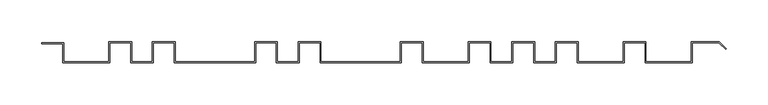
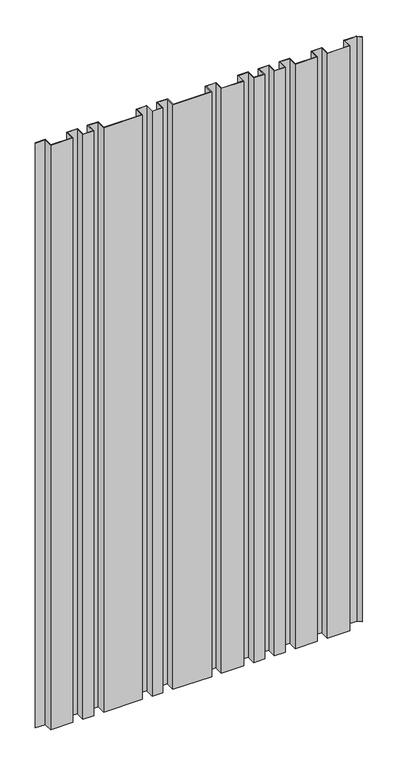
"""IFC4 building model written with IfcOpenShell, lengths in millimetres: plate geometry."""

from ifc_helpers import new_model, si_unit, origin, origin_with_axes, place, context, project, spatial, polyline, outline, extrude, source, transform, mapped, element, save


def plate_e2cb19bc(model_context):
    return source(origin(), model_context, "Body", "SweptSolid", [
        extrude(outline(polyline([(-363.0, 23.0), (-388.0, 23.0), (-388.0, 24.0), (-362.0, 24.0), (-362.0, 1.0), (-308.0, 1.0), (-308.0, 25.0), (-281.0, 25.0), (-281.0, 1.0), (-256.0, 1.0), (-256.0, 25.0), (-229.0, 25.0), (-229.0, 1.0), (-134.0, 1.0), (-134.0, 25.0), (-107.0, 25.0), (-107.0, 1.0), (-82.0, 1.0), (-82.0, 25.0), (-55.0, 25.0), (-55.0, 1.0), (40.0, 1.0), (40.0, 25.0), (67.0, 25.0), (67.0, 1.0), (121.0, 1.0), (121.0, 25.0), (148.0, 25.0), (148.0, 1.0), (173.0, 1.0), (173.0, 25.0), (200.0, 25.0), (200.0, 1.0), (225.0, 1.0), (225.0, 25.0), (252.0, 25.0), (252.0, 1.0), (306.0, 1.0), (306.0, 25.0), (333.0, 25.0), (333.0, 1.0), (387.0, 1.0), (387.0, 25.0), (420.4147995, 25.0), (428.7078135, 16.6903838), (428.0, 15.9839845), (420.0, 24.0), (388.0, 24.0), (388.0, 0.0), (332.0, 0.0), (332.0, 24.0), (307.0, 24.0), (307.0, 0.0), (251.0, 0.0), (251.0, 24.0), (226.0, 24.0), (226.0, 0.0), (199.0, 0.0), (199.0, 24.0), (174.0, 24.0), (174.0, 0.0), (147.0, 0.0), (147.0, 24.0), (122.0, 24.0), (122.0, 0.0), (66.0, 0.0), (66.0, 24.0), (41.0, 24.0), (41.0, 0.0), (-56.0, 0.0), (-56.0, 24.0), (-81.0, 24.0), (-81.0, 0.0), (-108.0, 0.0), (-108.0, 24.0), (-133.0, 24.0), (-133.0, 0.0), (-230.0, 0.0), (-230.0, 24.0), (-255.0, 24.0), (-255.0, 0.0), (-282.0, 0.0), (-282.0, 24.0), (-307.0, 24.0), (-307.0, 0.0), (-363.0, 0.0), (-363.0, 23.0)])), origin_with_axes(), (0.0, 0.0, 1.0), 1552.0),
    ])


if __name__ == "__main__":
    model = new_model("IFC4")
    model_context = context("Model", 3, world=origin())
    ifc_project = project(units=[si_unit("LENGTHUNIT", "METRE", prefix="MILLI")], contexts=[model_context])
    site = spatial("IfcSite", under=ifc_project)
    building = spatial("IfcBuilding", under=site)
    placement = place(None, origin())
    plate_shape = plate_e2cb19bc(model_context)
    element("IfcPlate", 1, at=placement, inside=building, context=model_context, shape_type="MappedRepresentation", body=[
        mapped(plate_shape, transform((0.0, 0.0, 0.0), x_axis=(1.0, 0.0, 0.0), y_axis=(0.0, 1.0, 0.0), z_axis=(0.0, 0.0, 1.0))),
    ])
    save(model, "model.ifc")
